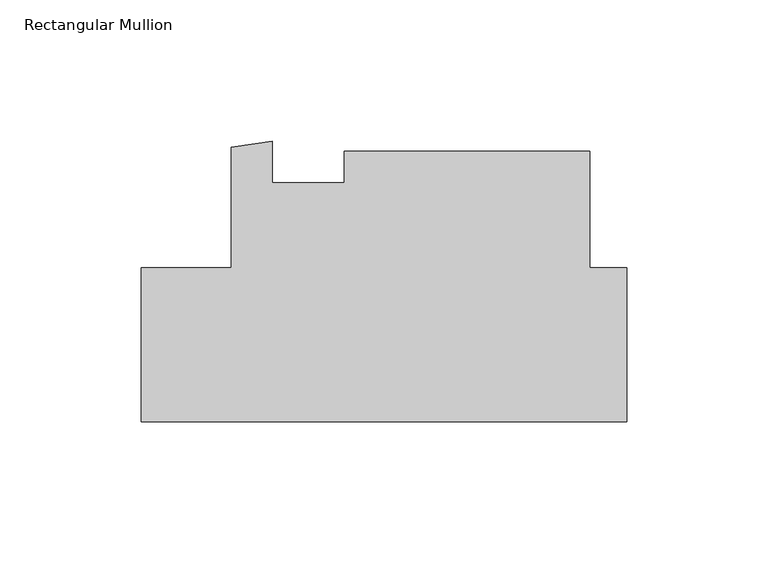
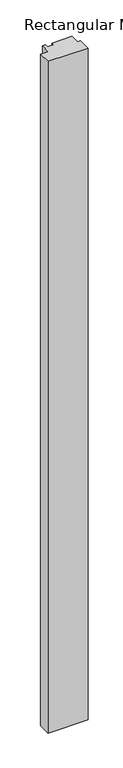
"""IFC4 building model written with IfcOpenShell, lengths in millimetres: member geometry, Rectangular Mullion."""

from ifc_helpers import new_model, si_unit, frame, origin, place, context, project, spatial, polyline, outline, extrude, source, transform, mapped, element, save


def rectangular_mullion_5eba66e2(model_context):
    return source(origin(), model_context, "Body", "SweptSolid", [
        extrude(outline(polyline([(-171.4499999, -0.032266), (-139.7010309, -0.032266), (-139.7010309, 42.5831163), (-125.1965715, 44.6388665), (-125.1965715, 30.1302341), (-99.7975059, 30.1302341), (-99.7975059, 41.2427341), (-12.9550309, 41.2427341), (-12.9550309, 0.0), (0.0, 0.0), (0.0, -54.3882656), (-171.4499999, -54.3882656), (-171.4499999, -0.032266)])), frame((0.0, 0.0, -3048.0), z_axis=(0.0, 0.0, 1.0), x_axis=(1.0, 0.0, 0.0)), (0.0, 0.0, 1.0), 3048.0),
    ])


if __name__ == "__main__":
    model = new_model("IFC4")
    model_context = context("Model", 3, world=origin())
    ifc_project = project(units=[si_unit("LENGTHUNIT", "METRE", prefix="MILLI")], contexts=[model_context])
    site = spatial("IfcSite", under=ifc_project)
    building = spatial("IfcBuilding", under=site)
    placement = place(None, origin())
    rectangular_mullion_shape = rectangular_mullion_5eba66e2(model_context)
    element("IfcMember", 1, ObjectType="Rectangular Mullion", at=placement, inside=building, context=model_context, shape_type="MappedRepresentation", body=[
        mapped(rectangular_mullion_shape, transform((0.0, 0.0, 0.0), x_axis=(1.0, 0.0, 0.0), y_axis=(0.0, 1.0, 0.0), z_axis=(0.0, 0.0, 1.0))),
    ])
    save(model, "model.ifc")
